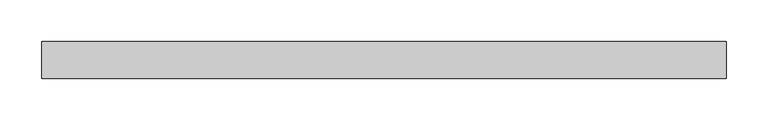
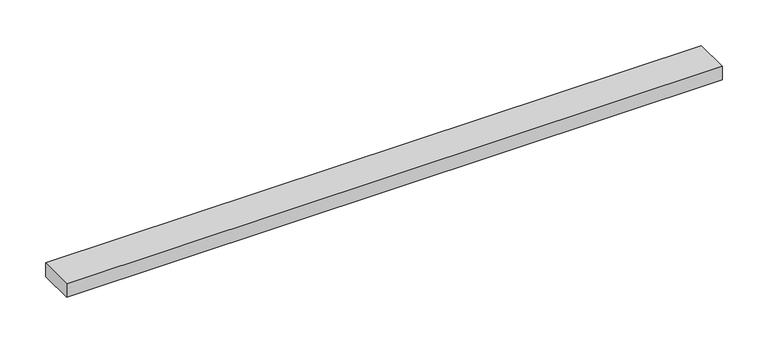
"""IFC4 building model written with IfcOpenShell, lengths in millimetres: beam geometry."""

from ifc_helpers import new_model, si_unit, frame, origin, place, context, project, spatial, polyline, outline, extrude, source, transform, mapped, element, save


def beam_1063d807(model_context):
    return source(origin(), model_context, "Body", "SweptSolid", [
        extrude(outline(polyline([(-412.2, 22.5), (412.2, 22.5), (412.2, -22.5), (-412.2, -22.5), (-412.2, 22.5)])), frame((0.0, 0.0, -9.0), z_axis=(0.0, 0.0, 1.0), x_axis=(1.0, 0.0, 0.0)), (0.0, 0.0, 1.0), 18.0),
    ])


if __name__ == "__main__":
    model = new_model("IFC4")
    model_context = context("Model", 3, world=origin())
    ifc_project = project(units=[si_unit("LENGTHUNIT", "METRE", prefix="MILLI")], contexts=[model_context])
    site = spatial("IfcSite", under=ifc_project)
    building = spatial("IfcBuilding", under=site)
    placement = place(None, origin())
    beam_shape = beam_1063d807(model_context)
    element("IfcBeam", 1, at=placement, inside=building, context=model_context, shape_type="MappedRepresentation", body=[
        mapped(beam_shape, transform((0.0, 0.0, 0.0), x_axis=(1.0, 0.0, 0.0), y_axis=(0.0, 1.0, 0.0), z_axis=(0.0, 0.0, 1.0))),
    ])
    save(model, "model.ifc")
